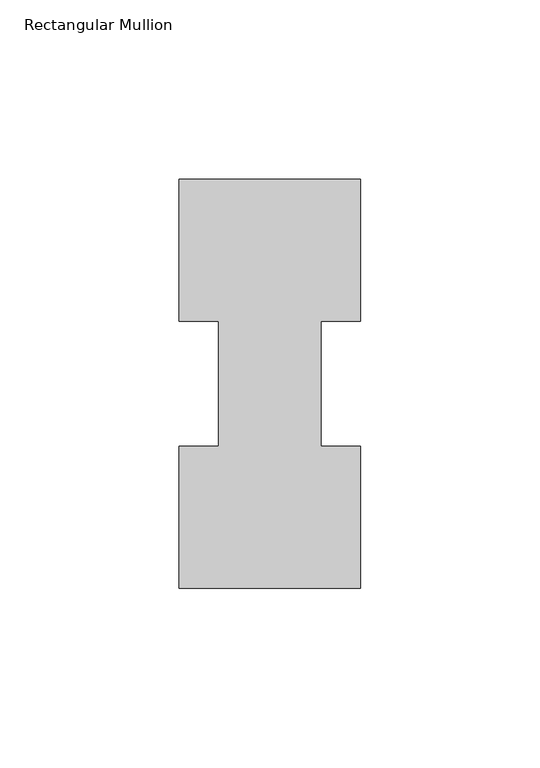
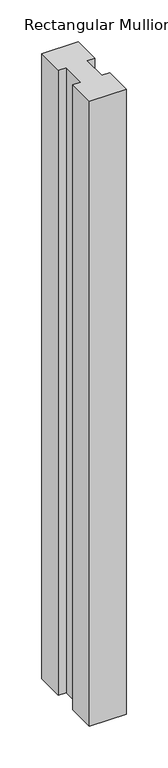
"""IFC4 building model written with IfcOpenShell, lengths in millimetres: member geometry, Rectangular Mullion."""

from ifc_helpers import new_model, si_unit, frame, origin, place, context, project, spatial, polyline, outline, extrude, source, transform, mapped, element, save


def rectangular_mullion_afb4f523(model_context):
    return source(origin(), model_context, "Body", "SweptSolid", [
        extrude(outline(polyline([(25.4, 114.2714251), (25.4, 74.596625), (14.2874997, 74.596625), (14.2874997, 39.646225), (25.3999997, 39.646225), (25.3999997, -0.0285749), (-25.4, -0.0285749), (-25.4, 39.6462251), (-14.2875003, 39.6462251), (-14.2875003, 74.5966251), (-25.4, 74.5966251), (-25.4, 114.2714251), (25.4, 114.2714251)])), frame((0.0, 0.0, -914.4), z_axis=(0.0, 0.0, 1.0), x_axis=(1.0, 0.0, 0.0)), (0.0, 0.0, 1.0), 914.4),
    ])


if __name__ == "__main__":
    model = new_model("IFC4")
    model_context = context("Model", 3, world=origin())
    ifc_project = project(units=[si_unit("LENGTHUNIT", "METRE", prefix="MILLI")], contexts=[model_context])
    site = spatial("IfcSite", under=ifc_project)
    building = spatial("IfcBuilding", under=site)
    placement = place(None, origin())
    rectangular_mullion_shape = rectangular_mullion_afb4f523(model_context)
    element("IfcMember", 1, ObjectType="Rectangular Mullion", at=placement, inside=building, context=model_context, shape_type="MappedRepresentation", body=[
        mapped(rectangular_mullion_shape, transform((0.0, 0.0, 0.0), x_axis=(1.0, 0.0, 0.0), y_axis=(0.0, 1.0, 0.0), z_axis=(0.0, 0.0, 1.0))),
    ])
    save(model, "model.ifc")
